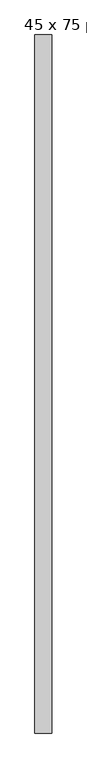
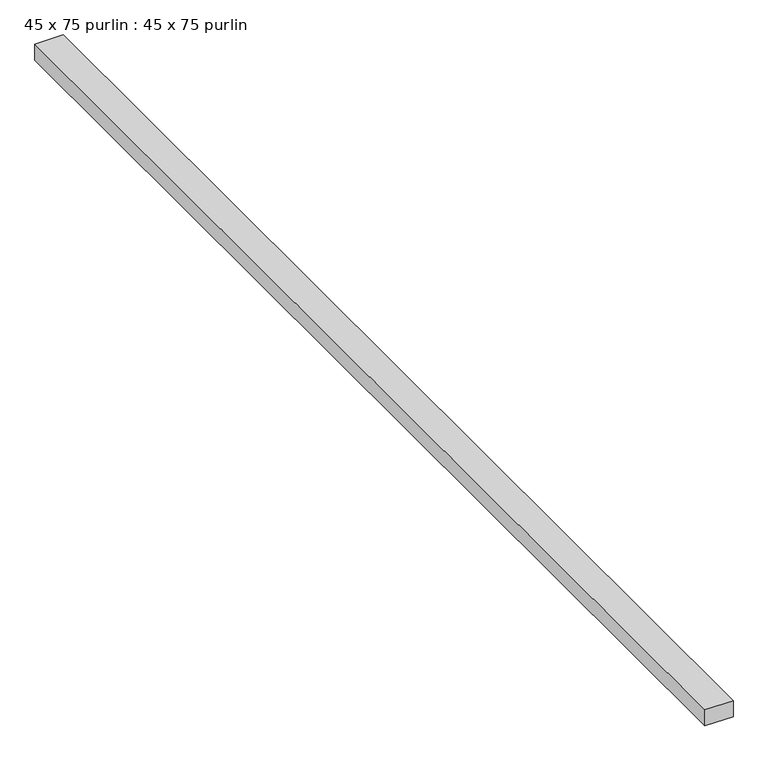
"""IFC4 building model written with IfcOpenShell, lengths in millimetres: proxy geometry, 45 x 75 purlin : 45 x 75 purlin."""

import ifcopenshell
import ifcopenshell.guid

model = None  # the IFC model being written
_history = None  # IfcOwnerHistory: only IFC2X3 demands one
_inside = {}  # id of a spatial element -> (the spatial element, [elements in it])
_under = {}  # id of a project, library or spatial element -> (it, [spatial elements below it])
_declared = {}  # id of a project -> (the project, [libraries it declares])
_typed = {}  # id of a type object -> (the type object, [elements of that type])
_made_of = {}  # id of a material, layer set ... -> (it, [elements and type objects made of it])


def new_model(schema):
    """Start an empty IFC model of exactly this schema.

    Asked for "IFC4X3", IfcOpenShell would pick the latest addendum, in which some entities
    have other attributes; the version numbers below select the first issue.
    IFC2X3 requires an IfcOwnerHistory on every rooted entity: one is made here for all.
    """
    global model, _history
    if schema == "IFC4X3":
        model = ifcopenshell.file(schema_version=(4, 3, 0, 0))
    else:
        model = ifcopenshell.file(schema=schema)
    _inside.clear()
    _under.clear()
    _declared.clear()
    _typed.clear()
    _made_of.clear()
    _history = None
    if model.schema == "IFC2X3":
        org = make("IfcOrganization", Name="unknown")
        user = make(
            "IfcPersonAndOrganization",
            ThePerson=make("IfcPerson", FamilyName="unknown"),
            TheOrganization=org,
        )
        app = make(
            "IfcApplication",
            ApplicationDeveloper=org,
            Version="unknown",
            ApplicationFullName="unknown",
            ApplicationIdentifier="unknown",
        )
        _history = make(
            "IfcOwnerHistory",
            OwningUser=user,
            OwningApplication=app,
            ChangeAction="ADDED",
            CreationDate=0,
        )
    return model


def make(cls, **values):
    """One entity of the class cls with the attributes given. An attribute that is None is left unset."""
    return model.create_entity(
        cls, **{name: value for name, value in values.items() if value is not None}
    )


def rooted(cls, **values):
    """An entity with a GlobalId (a new one), such as an element, a storey or a relation."""
    return make(cls, GlobalId=ifcopenshell.guid.new(), OwnerHistory=_history, **values)


def si_unit(unit_type, name, prefix=None):
    """IfcSIUnit, for example si_unit("LENGTHUNIT", "METRE", prefix="MILLI")."""
    return make("IfcSIUnit", UnitType=unit_type, Prefix=prefix, Name=name)


def assignment(units):
    """IfcUnitAssignment: the units of a project."""
    return None if units is None else make("IfcUnitAssignment", Units=units)


def point(xyz):
    """IfcCartesianPoint."""
    return None if xyz is None else make("IfcCartesianPoint", Coordinates=xyz)


def direction(xyz):
    """IfcDirection."""
    return None if xyz is None else make("IfcDirection", DirectionRatios=xyz)


def frame(location, z_axis=None, x_axis=None):
    """IfcAxis2Placement3D, a coordinate frame: its origin and axes. An axis left out is left unset."""
    return make(
        "IfcAxis2Placement3D",
        Location=point(location),
        Axis=direction(z_axis),
        RefDirection=direction(x_axis),
    )


def origin():
    """The frame at (0, 0, 0) with its axes left unset."""
    return frame((0.0, 0.0, 0.0))


def place(relative_to, where):
    """IfcLocalPlacement: puts the frame where relative to a parent placement (None: the world)."""
    return make(
        "IfcLocalPlacement", PlacementRelTo=relative_to, RelativePlacement=where
    )


def context(
    kind, dimensions, precision=None, world=None, true_north=None, identifier=None
):
    """IfcGeometricRepresentationContext, for example the 3D "Model" context."""
    return make(
        "IfcGeometricRepresentationContext",
        ContextIdentifier=identifier,
        ContextType=kind,
        CoordinateSpaceDimension=dimensions,
        Precision=precision,
        WorldCoordinateSystem=world,
        TrueNorth=true_north,
    )


def project(units=None, contexts=None):
    """IfcProject with its units and contexts."""
    return rooted(
        "IfcProject",
        Name="project",
        RepresentationContexts=contexts,
        UnitsInContext=assignment(units),
    )


def spatial(cls, under=None, at=None, **own):
    """A site, building, storey or space (cls), placed at a placement, below another one or the project."""
    s = rooted(cls, ObjectPlacement=at, **own)
    if under is not None:
        _under.setdefault(under.id(), (under, []))[1].append(s)
    return s


def polyline(points):
    """IfcPolyline through the points."""
    return make("IfcPolyline", Points=[point(p) for p in points])


def outline(outer, holes=None, kind="AREA"):
    """IfcArbitraryClosedProfileDef: a profile drawn as a closed curve; with holes, ...WithVoids."""
    if holes is None:
        return make("IfcArbitraryClosedProfileDef", ProfileType=kind, OuterCurve=outer)
    return make(
        "IfcArbitraryProfileDefWithVoids",
        ProfileType=kind,
        OuterCurve=outer,
        InnerCurves=holes,
    )


def extrude(swept, where, along, depth):
    """IfcExtrudedAreaSolid: the profile swept, set in the frame where, extruded along a direction by depth."""
    return make(
        "IfcExtrudedAreaSolid",
        SweptArea=swept,
        Position=where,
        ExtrudedDirection=direction(along),
        Depth=depth,
    )


def shape(context_of_items, identifier, shape_type, items):
    """IfcShapeRepresentation: the items that make up one representation, for example the "Body"."""
    return make(
        "IfcShapeRepresentation",
        ContextOfItems=context_of_items,
        RepresentationIdentifier=identifier,
        RepresentationType=shape_type,
        Items=items,
    )


def source(mapping_origin, context_of_items, identifier, shape_type, items):
    """IfcRepresentationMap: a shape defined once, which mapped items show again and again."""
    return make(
        "IfcRepresentationMap",
        MappingOrigin=mapping_origin,
        MappedRepresentation=shape(context_of_items, identifier, shape_type, items),
    )


def transform(
    local_origin,
    x_axis=None,
    y_axis=None,
    z_axis=None,
    scale=None,
    scale2=None,
    scale3=None,
    uniform=True,
):
    """IfcCartesianTransformationOperator3D, or its non-uniform kind. x_axis, y_axis, z_axis: its Axis1, 2, 3."""
    if uniform:
        return make(
            "IfcCartesianTransformationOperator3D",
            Axis1=direction(x_axis),
            Axis2=direction(y_axis),
            LocalOrigin=point(local_origin),
            Scale=scale,
            Axis3=direction(z_axis),
        )
    return make(
        "IfcCartesianTransformationOperator3DnonUniform",
        Axis1=direction(x_axis),
        Axis2=direction(y_axis),
        LocalOrigin=point(local_origin),
        Scale=scale,
        Axis3=direction(z_axis),
        Scale2=scale2,
        Scale3=scale3,
    )


def mapped(mapping_source, mapping_target):
    """IfcMappedItem: shows the shape of a source again, moved by a transform."""
    return make(
        "IfcMappedItem", MappingSource=mapping_source, MappingTarget=mapping_target
    )


def made_of(thing, what):
    """Note that an element or type object is made of a material, layer set ...; save() writes the relation."""
    if what is not None:
        _made_of.setdefault(what.id(), (what, []))[1].append(thing)
    return thing


def element(
    cls,
    number,
    at=None,
    inside=None,
    cuts=None,
    type_object=None,
    material=None,
    context=None,
    identifier="Body",
    shape_type=None,
    held_by="IfcProductDefinitionShape",
    body=None,
    shapes=None,
    **own,
):
    """One element of the class cls, such as IfcWall. Its Tag is "e" and its number.

    at: its placement. inside: the storey or other place that contains it. cuts: it is an
    opening in that element (IfcRelVoidsElement). A single representation is given by context,
    identifier, shape_type and body (its items); several are given by shapes. held_by: the class
    of the entity that holds the representations. save() writes the other relations.
    """
    e = rooted(cls, Tag="e%d" % number, ObjectPlacement=at, **own)
    if body is not None:
        shapes = [shape(context, identifier, shape_type, body)]
    if shapes is not None:
        e.Representation = make(held_by, Representations=shapes)
    if inside is not None:
        _inside.setdefault(inside.id(), (inside, []))[1].append(e)
    if cuts is not None:
        rooted(
            "IfcRelVoidsElement", RelatingBuildingElement=cuts, RelatedOpeningElement=e
        )
    if type_object is not None:
        _typed.setdefault(type_object.id(), (type_object, []))[1].append(e)
    return made_of(e, material)


def aggregate(whole, parts):
    """IfcRelAggregates: a whole, such as a stair, and the parts it consists of."""
    return rooted("IfcRelAggregates", RelatingObject=whole, RelatedObjects=parts)


def save(model, path):
    """Write the relations noted so far, then the file.

    IfcRelAggregates (storeys below a building ...), IfcRelContainedInSpatialStructure (elements
    in a storey), IfcRelDefinesByType, IfcRelAssociatesMaterial and IfcRelDeclares: one each for
    every whole, place, type object, material and project.
    """
    for whole, parts in _under.values():
        aggregate(whole, parts)
    for where, things in _inside.values():
        rooted(
            "IfcRelContainedInSpatialStructure",
            RelatedElements=things,
            RelatingStructure=where,
        )
    for kind, things in _typed.values():
        rooted("IfcRelDefinesByType", RelatedObjects=things, RelatingType=kind)
    for what, things in _made_of.values():
        rooted("IfcRelAssociatesMaterial", RelatedObjects=things, RelatingMaterial=what)
    for by, libraries in _declared.values():
        rooted("IfcRelDeclares", RelatingContext=by, RelatedDefinitions=libraries)
    model.write(path)


def proxy_45_x_75_purlin_45_x_75_purlin_508634a8(model_context):
    return source(origin(), model_context, "Body", "SweptSolid", [
        extrude(outline(polyline([(-11748.9072818, -1336.8874768), (-11823.9072818, -1336.8874768), (-11823.9072818, 1753.1125232), (-11748.9072818, 1753.1125232), (-11748.9072818, -1336.8874768)])), frame((0.0, 0.0, 3784.2452806), z_axis=(0.0, 0.0, 1.0), x_axis=(1.0, 0.0, 0.0)), (0.0, 0.0, 1.0), 45.0),
    ])


if __name__ == "__main__":
    model = new_model("IFC4")
    model_context = context("Model", 3, world=origin())
    ifc_project = project(units=[si_unit("LENGTHUNIT", "METRE", prefix="MILLI")], contexts=[model_context])
    site = spatial("IfcSite", under=ifc_project)
    building = spatial("IfcBuilding", under=site)
    placement = place(None, origin())
    proxy_45_x_75_purlin_45_x_75_purlin_shape = proxy_45_x_75_purlin_45_x_75_purlin_508634a8(model_context)
    element("IfcBuildingElementProxy", 1, Name="45 x 75 purlin : 45 x 75 purlin", ObjectType="45 x 75 purlin : 45 x 75 purlin", at=placement, inside=building, context=model_context, shape_type="MappedRepresentation", body=[
        mapped(proxy_45_x_75_purlin_45_x_75_purlin_shape, transform((0.0, 0.0, 0.0), x_axis=(1.0, 0.0, 0.0), y_axis=(0.0, 1.0, 0.0), z_axis=(0.0, 0.0, 1.0))),
    ])
    save(model, "model.ifc")
